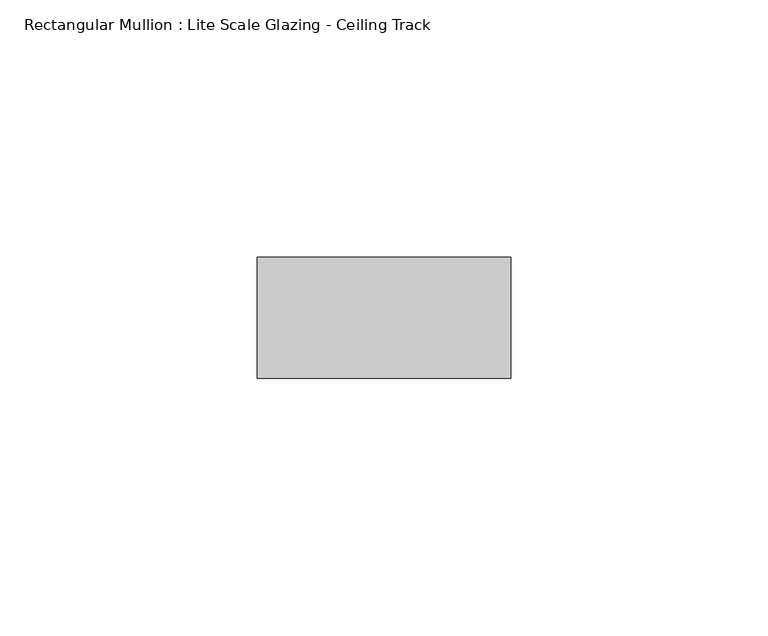
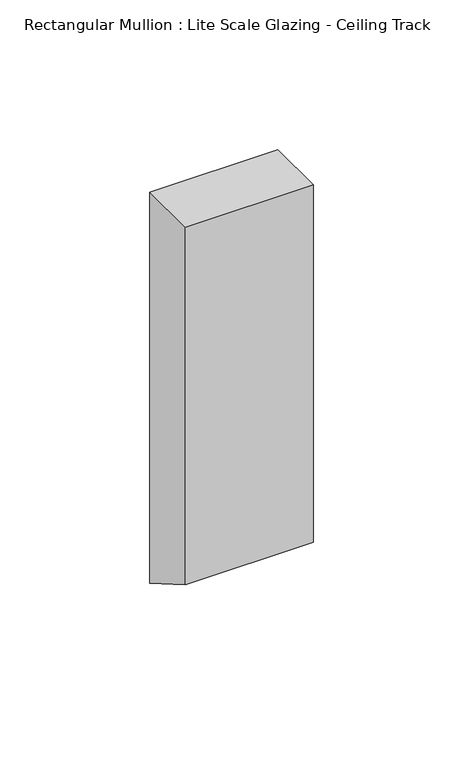
"""IFC4 building model written with IfcOpenShell, lengths in millimetres: member geometry, Rectangular Mullion : Lite Scale Glazing - Ceiling Track."""

from ifc_helpers import new_model, si_unit, frame, origin, place, context, project, spatial, polyline, outline, extrude, source, transform, mapped, element, save


def rectangular_mullion_lite_scale_glazing_ceiling_track_61a45f3d(model_context):
    return source(origin(), model_context, "Body", "SweptSolid", [
        extrude(outline(polyline([(-11.7474999, 0.0), (11.7474999, 0.0), (11.7474999, -159.1824222), (-11.7474999, -145.6175778), (-11.7474999, 0.0)])), frame((-49.276, 0.0, 0.0), z_axis=(1.0, 0.0, 0.0), x_axis=(0.0, 1.0, 0.0)), (0.0, 0.0, 1.0), 49.276),
    ])


if __name__ == "__main__":
    model = new_model("IFC4")
    model_context = context("Model", 3, world=origin())
    ifc_project = project(units=[si_unit("LENGTHUNIT", "METRE", prefix="MILLI")], contexts=[model_context])
    site = spatial("IfcSite", under=ifc_project)
    building = spatial("IfcBuilding", under=site)
    placement = place(None, origin())
    rectangular_mullion_lite_scale_glazing_ceiling_track_shape = rectangular_mullion_lite_scale_glazing_ceiling_track_61a45f3d(model_context)
    element("IfcMember", 1, ObjectType="Rectangular Mullion : Lite Scale Glazing - Ceiling Track", at=placement, inside=building, context=model_context, shape_type="MappedRepresentation", body=[
        mapped(rectangular_mullion_lite_scale_glazing_ceiling_track_shape, transform((0.0, 0.0, 0.0), x_axis=(1.0, 0.0, 0.0), y_axis=(0.0, 1.0, 0.0), z_axis=(0.0, 0.0, 1.0))),
    ])
    save(model, "model.ifc")
